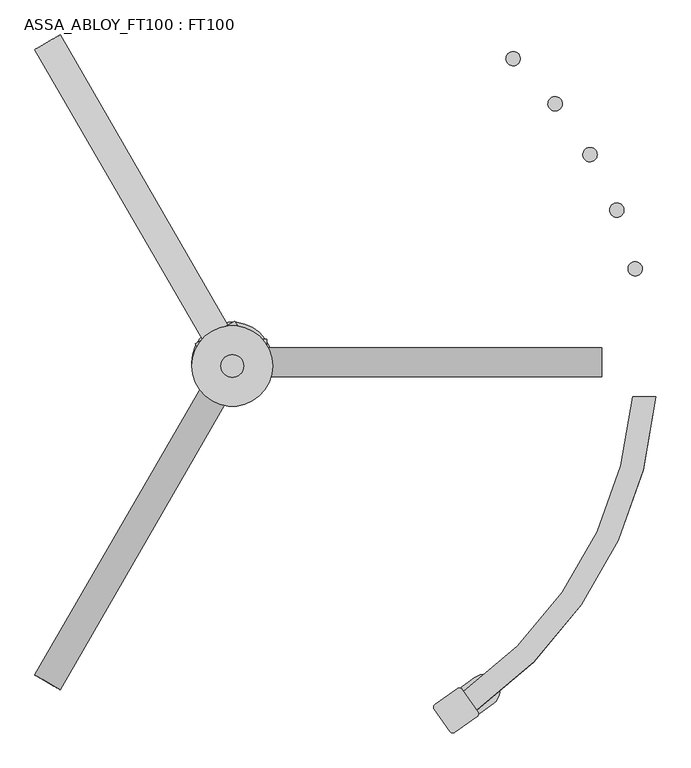
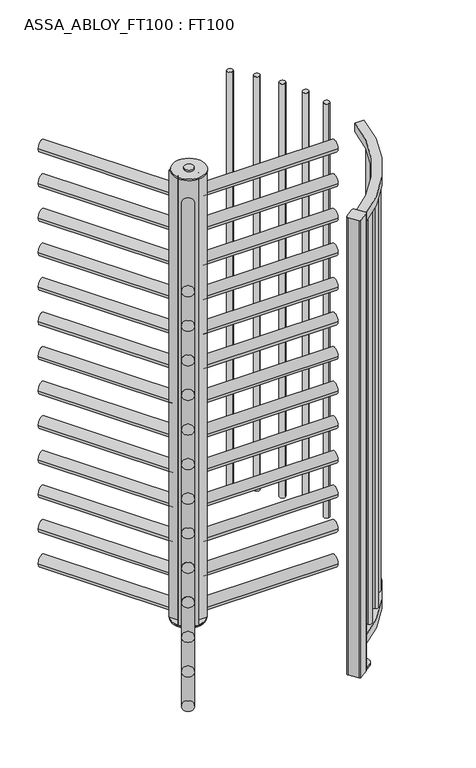
"""IFC4 building model written with IfcOpenShell, lengths in millimetres: proxy geometry, ASSA_ABLOY_FT100 : FT100."""

import ifcopenshell
import ifcopenshell.guid

model = None  # the IFC model being written
_history = None  # IfcOwnerHistory: only IFC2X3 demands one
_inside = {}  # id of a spatial element -> (the spatial element, [elements in it])
_under = {}  # id of a project, library or spatial element -> (it, [spatial elements below it])
_declared = {}  # id of a project -> (the project, [libraries it declares])
_typed = {}  # id of a type object -> (the type object, [elements of that type])
_made_of = {}  # id of a material, layer set ... -> (it, [elements and type objects made of it])


def new_model(schema):
    """Start an empty IFC model of exactly this schema.

    Asked for "IFC4X3", IfcOpenShell would pick the latest addendum, in which some entities
    have other attributes; the version numbers below select the first issue.
    IFC2X3 requires an IfcOwnerHistory on every rooted entity: one is made here for all.
    """
    global model, _history
    if schema == "IFC4X3":
        model = ifcopenshell.file(schema_version=(4, 3, 0, 0))
    else:
        model = ifcopenshell.file(schema=schema)
    _inside.clear()
    _under.clear()
    _declared.clear()
    _typed.clear()
    _made_of.clear()
    _history = None
    if model.schema == "IFC2X3":
        org = make("IfcOrganization", Name="unknown")
        user = make(
            "IfcPersonAndOrganization",
            ThePerson=make("IfcPerson", FamilyName="unknown"),
            TheOrganization=org,
        )
        app = make(
            "IfcApplication",
            ApplicationDeveloper=org,
            Version="unknown",
            ApplicationFullName="unknown",
            ApplicationIdentifier="unknown",
        )
        _history = make(
            "IfcOwnerHistory",
            OwningUser=user,
            OwningApplication=app,
            ChangeAction="ADDED",
            CreationDate=0,
        )
    return model


def make(cls, **values):
    """One entity of the class cls with the attributes given. An attribute that is None is left unset."""
    return model.create_entity(
        cls, **{name: value for name, value in values.items() if value is not None}
    )


def rooted(cls, **values):
    """An entity with a GlobalId (a new one), such as an element, a storey or a relation."""
    return make(cls, GlobalId=ifcopenshell.guid.new(), OwnerHistory=_history, **values)


def si_unit(unit_type, name, prefix=None):
    """IfcSIUnit, for example si_unit("LENGTHUNIT", "METRE", prefix="MILLI")."""
    return make("IfcSIUnit", UnitType=unit_type, Prefix=prefix, Name=name)


def assignment(units):
    """IfcUnitAssignment: the units of a project."""
    return None if units is None else make("IfcUnitAssignment", Units=units)


def point(xyz):
    """IfcCartesianPoint."""
    return None if xyz is None else make("IfcCartesianPoint", Coordinates=xyz)


def direction(xyz):
    """IfcDirection."""
    return None if xyz is None else make("IfcDirection", DirectionRatios=xyz)


def frame(location, z_axis=None, x_axis=None):
    """IfcAxis2Placement3D, a coordinate frame: its origin and axes. An axis left out is left unset."""
    return make(
        "IfcAxis2Placement3D",
        Location=point(location),
        Axis=direction(z_axis),
        RefDirection=direction(x_axis),
    )


def frame_2d(location, x_axis=None):
    """IfcAxis2Placement2D, a coordinate frame in the plane: its origin and x axis."""
    return make(
        "IfcAxis2Placement2D", Location=point(location), RefDirection=direction(x_axis)
    )


def origin():
    """The frame at (0, 0, 0) with its axes left unset."""
    return frame((0.0, 0.0, 0.0))


def origin_with_axes():
    """The frame at (0, 0, 0) with the z axis (0, 0, 1) and the x axis (1, 0, 0) written out."""
    return frame((0.0, 0.0, 0.0), z_axis=(0.0, 0.0, 1.0), x_axis=(1.0, 0.0, 0.0))


def origin_2d():
    """The frame at (0, 0) in the plane with its x axis left unset."""
    return frame_2d((0.0, 0.0))


def place(relative_to, where):
    """IfcLocalPlacement: puts the frame where relative to a parent placement (None: the world)."""
    return make(
        "IfcLocalPlacement", PlacementRelTo=relative_to, RelativePlacement=where
    )


def context(
    kind, dimensions, precision=None, world=None, true_north=None, identifier=None
):
    """IfcGeometricRepresentationContext, for example the 3D "Model" context."""
    return make(
        "IfcGeometricRepresentationContext",
        ContextIdentifier=identifier,
        ContextType=kind,
        CoordinateSpaceDimension=dimensions,
        Precision=precision,
        WorldCoordinateSystem=world,
        TrueNorth=true_north,
    )


def project(units=None, contexts=None):
    """IfcProject with its units and contexts."""
    return rooted(
        "IfcProject",
        Name="project",
        RepresentationContexts=contexts,
        UnitsInContext=assignment(units),
    )


def spatial(cls, under=None, at=None, **own):
    """A site, building, storey or space (cls), placed at a placement, below another one or the project."""
    s = rooted(cls, ObjectPlacement=at, **own)
    if under is not None:
        _under.setdefault(under.id(), (under, []))[1].append(s)
    return s


def polyline(points):
    """IfcPolyline through the points."""
    return make("IfcPolyline", Points=[point(p) for p in points])


def circle_curve(where, radius):
    """IfcCircle in the frame where."""
    return make("IfcCircle", Position=where, Radius=radius)


def trimmed(basis, trim1, trim2, sense, master):
    """IfcTrimmedCurve: the piece of a basis curve between two trims."""
    return make(
        "IfcTrimmedCurve",
        BasisCurve=basis,
        Trim1=trim1,
        Trim2=trim2,
        SenseAgreement=sense,
        MasterRepresentation=master,
    )


def segment(curve, same_sense, transition):
    """IfcCompositeCurveSegment."""
    return make(
        "IfcCompositeCurveSegment",
        Transition=transition,
        SameSense=same_sense,
        ParentCurve=curve,
    )


def composite_curve(segments, self_intersect=None):
    """IfcCompositeCurve: segments joined end to end."""
    return make("IfcCompositeCurve", Segments=segments, SelfIntersect=self_intersect)


def outline(outer, holes=None, kind="AREA"):
    """IfcArbitraryClosedProfileDef: a profile drawn as a closed curve; with holes, ...WithVoids."""
    if holes is None:
        return make("IfcArbitraryClosedProfileDef", ProfileType=kind, OuterCurve=outer)
    return make(
        "IfcArbitraryProfileDefWithVoids",
        ProfileType=kind,
        OuterCurve=outer,
        InnerCurves=holes,
    )


def extrude(swept, where, along, depth):
    """IfcExtrudedAreaSolid: the profile swept, set in the frame where, extruded along a direction by depth."""
    return make(
        "IfcExtrudedAreaSolid",
        SweptArea=swept,
        Position=where,
        ExtrudedDirection=direction(along),
        Depth=depth,
    )


def shape(context_of_items, identifier, shape_type, items):
    """IfcShapeRepresentation: the items that make up one representation, for example the "Body"."""
    return make(
        "IfcShapeRepresentation",
        ContextOfItems=context_of_items,
        RepresentationIdentifier=identifier,
        RepresentationType=shape_type,
        Items=items,
    )


def source(mapping_origin, context_of_items, identifier, shape_type, items):
    """IfcRepresentationMap: a shape defined once, which mapped items show again and again."""
    return make(
        "IfcRepresentationMap",
        MappingOrigin=mapping_origin,
        MappedRepresentation=shape(context_of_items, identifier, shape_type, items),
    )


def transform(
    local_origin,
    x_axis=None,
    y_axis=None,
    z_axis=None,
    scale=None,
    scale2=None,
    scale3=None,
    uniform=True,
):
    """IfcCartesianTransformationOperator3D, or its non-uniform kind. x_axis, y_axis, z_axis: its Axis1, 2, 3."""
    if uniform:
        return make(
            "IfcCartesianTransformationOperator3D",
            Axis1=direction(x_axis),
            Axis2=direction(y_axis),
            LocalOrigin=point(local_origin),
            Scale=scale,
            Axis3=direction(z_axis),
        )
    return make(
        "IfcCartesianTransformationOperator3DnonUniform",
        Axis1=direction(x_axis),
        Axis2=direction(y_axis),
        LocalOrigin=point(local_origin),
        Scale=scale,
        Axis3=direction(z_axis),
        Scale2=scale2,
        Scale3=scale3,
    )


def mapped(mapping_source, mapping_target):
    """IfcMappedItem: shows the shape of a source again, moved by a transform."""
    return make(
        "IfcMappedItem", MappingSource=mapping_source, MappingTarget=mapping_target
    )


def made_of(thing, what):
    """Note that an element or type object is made of a material, layer set ...; save() writes the relation."""
    if what is not None:
        _made_of.setdefault(what.id(), (what, []))[1].append(thing)
    return thing


def element(
    cls,
    number,
    at=None,
    inside=None,
    cuts=None,
    type_object=None,
    material=None,
    context=None,
    identifier="Body",
    shape_type=None,
    held_by="IfcProductDefinitionShape",
    body=None,
    shapes=None,
    **own,
):
    """One element of the class cls, such as IfcWall. Its Tag is "e" and its number.

    at: its placement. inside: the storey or other place that contains it. cuts: it is an
    opening in that element (IfcRelVoidsElement). A single representation is given by context,
    identifier, shape_type and body (its items); several are given by shapes. held_by: the class
    of the entity that holds the representations. save() writes the other relations.
    """
    e = rooted(cls, Tag="e%d" % number, ObjectPlacement=at, **own)
    if body is not None:
        shapes = [shape(context, identifier, shape_type, body)]
    if shapes is not None:
        e.Representation = make(held_by, Representations=shapes)
    if inside is not None:
        _inside.setdefault(inside.id(), (inside, []))[1].append(e)
    if cuts is not None:
        rooted(
            "IfcRelVoidsElement", RelatingBuildingElement=cuts, RelatedOpeningElement=e
        )
    if type_object is not None:
        _typed.setdefault(type_object.id(), (type_object, []))[1].append(e)
    return made_of(e, material)


def aggregate(whole, parts):
    """IfcRelAggregates: a whole, such as a stair, and the parts it consists of."""
    return rooted("IfcRelAggregates", RelatingObject=whole, RelatedObjects=parts)


def save(model, path):
    """Write the relations noted so far, then the file.

    IfcRelAggregates (storeys below a building ...), IfcRelContainedInSpatialStructure (elements
    in a storey), IfcRelDefinesByType, IfcRelAssociatesMaterial and IfcRelDeclares: one each for
    every whole, place, type object, material and project.
    """
    for whole, parts in _under.values():
        aggregate(whole, parts)
    for where, things in _inside.values():
        rooted(
            "IfcRelContainedInSpatialStructure",
            RelatedElements=things,
            RelatingStructure=where,
        )
    for kind, things in _typed.values():
        rooted("IfcRelDefinesByType", RelatedObjects=things, RelatingType=kind)
    for what, things in _made_of.values():
        rooted("IfcRelAssociatesMaterial", RelatedObjects=things, RelatingMaterial=what)
    for by, libraries in _declared.values():
        rooted("IfcRelDeclares", RelatingContext=by, RelatedDefinitions=libraries)
    model.write(path)


def plane_surface(at):
    """IfcPlane: the flat surface through the origin of the frame at, square to its z axis."""
    return make("IfcPlane", Position=at)


def cylinder_surface(at, radius):
    """IfcCylindricalSurface: all points at the distance radius from the z axis of the frame at."""
    return make("IfcCylindricalSurface", Position=at, Radius=radius)


def advanced_brep(points, edges, surfaces, faces):
    """IfcAdvancedBrep: a solid bounded by faces that lie on surfaces and meet in shared edges.

    An edge is (start, end): straight between two places in points (the first is 0);
    or (start, end, curve); or (start, end, curve, False) where it runs against its curve.
    A face is (place in surfaces, loops), or (place, loops, False) where it looks against
    its surface's normal. A loop lists edges by number (the first is 1), with a minus sign
    where the edge is run from its end to its start. The first loop is the outer one.
    """
    corners = [point(p) for p in points]
    vertices = [make("IfcVertexPoint", VertexGeometry=c) for c in corners]
    made = []
    for start, end, *more in edges:
        made.append(
            make(
                "IfcEdgeCurve",
                EdgeStart=vertices[start],
                EdgeEnd=vertices[end],
                EdgeGeometry=more[0] if more else make("IfcPolyline", Points=[corners[start], corners[end]]),
                SameSense=more[1] if len(more) > 1 else True,
            )
        )
    hull = []
    for where, loops, *sense in faces:
        bounds = []
        for j, loop in enumerate(loops):
            ring = [make("IfcOrientedEdge", EdgeElement=made[abs(k) - 1], Orientation=k > 0) for k in loop]
            bounds.append(
                make(
                    "IfcFaceOuterBound" if j == 0 else "IfcFaceBound",
                    Bound=make("IfcEdgeLoop", EdgeList=ring),
                    Orientation=True,
                )
            )
        hull.append(make("IfcAdvancedFace", Bounds=bounds, FaceSurface=surfaces[where], SameSense=sense[0] if sense else True))
    return make("IfcAdvancedBrep", Outer=make("IfcClosedShell", CfsFaces=hull))


def assa_abloy_ft100_ft100_b19b0297(model_context):
    return source(origin(), model_context, "Body", "SolidModel", [
        extrude(outline(composite_curve([segment(trimmed(circle_curve(frame_2d((25.5, 2.28e-05)), 25.5), [point((25.5, -25.4999772))], [point((25.5, 25.5000229))], False, "CARTESIAN"), True, "CONTINUOUS"), segment(trimmed(circle_curve(frame_2d((25.5, 2.28e-05)), 25.5), [point((25.5, 25.5000229))], [point((25.5, -25.4999772))], False, "CARTESIAN"), True, "CONTINUOUS")], self_intersect=False)), frame((-322.9187589, -559.35863, 37.0), z_axis=(0.4999685347432275, 0.866043569496772, 0.0), x_axis=(0.0, 0.0, 1.0)), (0.0, 0.0, 1.0), 585.9000001),
        extrude(outline(composite_curve([segment(trimmed(circle_curve(frame_2d((186.5, 2.28e-05)), 25.5), [point((186.5, -25.4999772))], [point((186.5, 25.5000229))], False, "CARTESIAN"), True, "CONTINUOUS"), segment(trimmed(circle_curve(frame_2d((186.5, 2.28e-05)), 25.5), [point((186.5, 25.5000229))], [point((186.5, -25.4999772))], False, "CARTESIAN"), True, "CONTINUOUS")], self_intersect=False)), frame((-322.9187589, -559.35863, 37.0), z_axis=(0.4999685347432275, 0.866043569496772, 0.0), x_axis=(0.0, 0.0, 1.0)), (0.0, 0.0, 1.0), 585.9000001),
        extrude(outline(composite_curve([segment(trimmed(circle_curve(frame_2d((347.5, 2.28e-05)), 25.5), [point((347.5, -25.4999772))], [point((347.5, 25.5000229))], False, "CARTESIAN"), True, "CONTINUOUS"), segment(trimmed(circle_curve(frame_2d((347.5, 2.28e-05)), 25.5), [point((347.5, 25.5000229))], [point((347.5, -25.4999772))], False, "CARTESIAN"), True, "CONTINUOUS")], self_intersect=False)), frame((-322.9187589, -559.35863, 37.0), z_axis=(0.4999685347432275, 0.866043569496772, 0.0), x_axis=(0.0, 0.0, 1.0)), (0.0, 0.0, 1.0), 585.9000001),
        extrude(outline(composite_curve([segment(trimmed(circle_curve(frame_2d((508.5, 2.28e-05)), 25.5), [point((508.5, -25.4999772))], [point((508.5, 25.5000229))], False, "CARTESIAN"), True, "CONTINUOUS"), segment(trimmed(circle_curve(frame_2d((508.5, 2.28e-05)), 25.5), [point((508.5, 25.5000229))], [point((508.5, -25.4999772))], False, "CARTESIAN"), True, "CONTINUOUS")], self_intersect=False)), frame((-322.9187589, -559.35863, 37.0), z_axis=(0.4999685347432275, 0.866043569496772, 0.0), x_axis=(0.0, 0.0, 1.0)), (0.0, 0.0, 1.0), 585.9000001),
        extrude(outline(composite_curve([segment(trimmed(circle_curve(frame_2d((669.5, 2.28e-05)), 25.5), [point((669.5, -25.4999772))], [point((669.5, 25.5000229))], False, "CARTESIAN"), True, "CONTINUOUS"), segment(trimmed(circle_curve(frame_2d((669.5, 2.28e-05)), 25.5), [point((669.5, 25.5000229))], [point((669.5, -25.4999772))], False, "CARTESIAN"), True, "CONTINUOUS")], self_intersect=False)), frame((-322.9187589, -559.35863, 37.0), z_axis=(0.4999685347432275, 0.866043569496772, 0.0), x_axis=(0.0, 0.0, 1.0)), (0.0, 0.0, 1.0), 585.9000001),
        extrude(outline(composite_curve([segment(trimmed(circle_curve(frame_2d((830.5, 2.28e-05)), 25.5), [point((830.5, -25.4999772))], [point((830.5, 25.5000229))], False, "CARTESIAN"), True, "CONTINUOUS"), segment(trimmed(circle_curve(frame_2d((830.5, 2.28e-05)), 25.5), [point((830.5, 25.5000229))], [point((830.5, -25.4999772))], False, "CARTESIAN"), True, "CONTINUOUS")], self_intersect=False)), frame((-322.9187589, -559.35863, 37.0), z_axis=(0.4999685347432275, 0.866043569496772, 0.0), x_axis=(0.0, 0.0, 1.0)), (0.0, 0.0, 1.0), 585.9000001),
        extrude(outline(composite_curve([segment(trimmed(circle_curve(frame_2d((991.5, 2.28e-05)), 25.5), [point((991.5, -25.4999772))], [point((991.5, 25.5000229))], False, "CARTESIAN"), True, "CONTINUOUS"), segment(trimmed(circle_curve(frame_2d((991.5, 2.28e-05)), 25.5), [point((991.5, 25.5000229))], [point((991.5, -25.4999772))], False, "CARTESIAN"), True, "CONTINUOUS")], self_intersect=False)), frame((-322.9187589, -559.35863, 37.0), z_axis=(0.4999685347432275, 0.866043569496772, 0.0), x_axis=(0.0, 0.0, 1.0)), (0.0, 0.0, 1.0), 585.9000001),
        extrude(outline(composite_curve([segment(trimmed(circle_curve(frame_2d((1152.5, 2.28e-05)), 25.5), [point((1152.5, -25.4999772))], [point((1152.5, 25.5000229))], False, "CARTESIAN"), True, "CONTINUOUS"), segment(trimmed(circle_curve(frame_2d((1152.5, 2.28e-05)), 25.5), [point((1152.5, 25.5000229))], [point((1152.5, -25.4999772))], False, "CARTESIAN"), True, "CONTINUOUS")], self_intersect=False)), frame((-322.9187589, -559.35863, 37.0), z_axis=(0.4999685347432275, 0.866043569496772, 0.0), x_axis=(0.0, 0.0, 1.0)), (0.0, 0.0, 1.0), 585.9000001),
        extrude(outline(composite_curve([segment(trimmed(circle_curve(frame_2d((1313.5, 2.28e-05)), 25.5), [point((1313.5, -25.4999772))], [point((1313.5, 25.5000229))], False, "CARTESIAN"), True, "CONTINUOUS"), segment(trimmed(circle_curve(frame_2d((1313.5, 2.28e-05)), 25.5), [point((1313.5, 25.5000229))], [point((1313.5, -25.4999772))], False, "CARTESIAN"), True, "CONTINUOUS")], self_intersect=False)), frame((-322.9187589, -559.35863, 37.0), z_axis=(0.4999685347432275, 0.866043569496772, 0.0), x_axis=(0.0, 0.0, 1.0)), (0.0, 0.0, 1.0), 585.9000001),
        extrude(outline(composite_curve([segment(trimmed(circle_curve(frame_2d((1474.5, 2.28e-05)), 25.5), [point((1474.5, -25.4999772))], [point((1474.5, 25.5000229))], False, "CARTESIAN"), True, "CONTINUOUS"), segment(trimmed(circle_curve(frame_2d((1474.5, 2.28e-05)), 25.5), [point((1474.5, 25.5000229))], [point((1474.5, -25.4999772))], False, "CARTESIAN"), True, "CONTINUOUS")], self_intersect=False)), frame((-322.9187589, -559.35863, 37.0), z_axis=(0.4999685347432275, 0.866043569496772, 0.0), x_axis=(0.0, 0.0, 1.0)), (0.0, 0.0, 1.0), 585.9000001),
        extrude(outline(composite_curve([segment(trimmed(circle_curve(frame_2d((1635.5, 2.28e-05)), 25.5), [point((1635.5, -25.4999772))], [point((1635.5, 25.5000229))], False, "CARTESIAN"), True, "CONTINUOUS"), segment(trimmed(circle_curve(frame_2d((1635.5, 2.28e-05)), 25.5), [point((1635.5, 25.5000229))], [point((1635.5, -25.4999772))], False, "CARTESIAN"), True, "CONTINUOUS")], self_intersect=False)), frame((-322.9187589, -559.35863, 37.0), z_axis=(0.4999685347432275, 0.866043569496772, 0.0), x_axis=(0.0, 0.0, 1.0)), (0.0, 0.0, 1.0), 585.9000001),
        extrude(outline(composite_curve([segment(trimmed(circle_curve(frame_2d((1796.5, 2.28e-05)), 25.5), [point((1796.5, -25.4999772))], [point((1796.5, 25.5000229))], False, "CARTESIAN"), True, "CONTINUOUS"), segment(trimmed(circle_curve(frame_2d((1796.5, 2.28e-05)), 25.5), [point((1796.5, 25.5000229))], [point((1796.5, -25.4999772))], False, "CARTESIAN"), True, "CONTINUOUS")], self_intersect=False)), frame((-322.9187589, -559.35863, 37.0), z_axis=(0.4999685347432275, 0.866043569496772, 0.0), x_axis=(0.0, 0.0, 1.0)), (0.0, 0.0, 1.0), 585.9000001),
        extrude(outline(composite_curve([segment(trimmed(circle_curve(frame_2d((1957.5, 2.28e-05)), 25.5), [point((1957.5, -25.4999772))], [point((1957.5, 25.5000229))], False, "CARTESIAN"), True, "CONTINUOUS"), segment(trimmed(circle_curve(frame_2d((1957.5, 2.28e-05)), 25.5), [point((1957.5, 25.5000229))], [point((1957.5, -25.4999772))], False, "CARTESIAN"), True, "CONTINUOUS")], self_intersect=False)), frame((-322.9187589, -559.35863, 37.0), z_axis=(0.4999685347432275, 0.866043569496772, 0.0), x_axis=(0.0, 0.0, 1.0)), (0.0, 0.0, 1.0), 585.9000001),
        extrude(outline(composite_curve([segment(trimmed(circle_curve(frame_2d((25.5, -2.28e-05)), 25.5), [point((25.5, 25.4999772))], [point((25.5, -25.5000228))], False, "CARTESIAN"), True, "CONTINUOUS"), segment(trimmed(circle_curve(frame_2d((25.5, -2.28e-05)), 25.5), [point((25.5, -25.5000228))], [point((25.5, 25.4999772))], False, "CARTESIAN"), True, "CONTINUOUS")], self_intersect=False)), frame((-29.9917907, 51.946396, 37.0), z_axis=(-0.5000065646043343, 0.8660216136751852, 0.0), x_axis=(0.0, 0.0, 1.0)), (0.0, 0.0, 1.0), 585.9),
        extrude(outline(composite_curve([segment(trimmed(circle_curve(frame_2d((186.5, -2.28e-05)), 25.5), [point((186.5, 25.4999772))], [point((186.5, -25.5000228))], False, "CARTESIAN"), True, "CONTINUOUS"), segment(trimmed(circle_curve(frame_2d((186.5, -2.28e-05)), 25.5), [point((186.5, -25.5000228))], [point((186.5, 25.4999772))], False, "CARTESIAN"), True, "CONTINUOUS")], self_intersect=False)), frame((-29.9917907, 51.946396, 37.0), z_axis=(-0.5000065646043343, 0.8660216136751852, 0.0), x_axis=(0.0, 0.0, 1.0)), (0.0, 0.0, 1.0), 585.9),
        extrude(outline(composite_curve([segment(trimmed(circle_curve(frame_2d((347.5, -2.28e-05)), 25.5), [point((347.5, 25.4999772))], [point((347.5, -25.5000228))], False, "CARTESIAN"), True, "CONTINUOUS"), segment(trimmed(circle_curve(frame_2d((347.5, -2.28e-05)), 25.5), [point((347.5, -25.5000228))], [point((347.5, 25.4999772))], False, "CARTESIAN"), True, "CONTINUOUS")], self_intersect=False)), frame((-29.9917907, 51.946396, 37.0), z_axis=(-0.5000065646043343, 0.8660216136751852, 0.0), x_axis=(0.0, 0.0, 1.0)), (0.0, 0.0, 1.0), 585.9),
        extrude(outline(composite_curve([segment(trimmed(circle_curve(frame_2d((508.5, -2.28e-05)), 25.5), [point((508.5, 25.4999772))], [point((508.5, -25.5000228))], False, "CARTESIAN"), True, "CONTINUOUS"), segment(trimmed(circle_curve(frame_2d((508.5, -2.28e-05)), 25.5), [point((508.5, -25.5000228))], [point((508.5, 25.4999772))], False, "CARTESIAN"), True, "CONTINUOUS")], self_intersect=False)), frame((-29.9917907, 51.946396, 37.0), z_axis=(-0.5000065646043343, 0.8660216136751852, 0.0), x_axis=(0.0, 0.0, 1.0)), (0.0, 0.0, 1.0), 585.9),
        extrude(outline(composite_curve([segment(trimmed(circle_curve(frame_2d((669.5, -2.28e-05)), 25.5), [point((669.5, 25.4999772))], [point((669.5, -25.5000228))], False, "CARTESIAN"), True, "CONTINUOUS"), segment(trimmed(circle_curve(frame_2d((669.5, -2.28e-05)), 25.5), [point((669.5, -25.5000228))], [point((669.5, 25.4999772))], False, "CARTESIAN"), True, "CONTINUOUS")], self_intersect=False)), frame((-29.9917907, 51.946396, 37.0), z_axis=(-0.5000065646043343, 0.8660216136751852, 0.0), x_axis=(0.0, 0.0, 1.0)), (0.0, 0.0, 1.0), 585.9),
        extrude(outline(composite_curve([segment(trimmed(circle_curve(frame_2d((830.5, -2.28e-05)), 25.5), [point((830.5, 25.4999772))], [point((830.5, -25.5000228))], False, "CARTESIAN"), True, "CONTINUOUS"), segment(trimmed(circle_curve(frame_2d((830.5, -2.28e-05)), 25.5), [point((830.5, -25.5000228))], [point((830.5, 25.4999772))], False, "CARTESIAN"), True, "CONTINUOUS")], self_intersect=False)), frame((-29.9917907, 51.946396, 37.0), z_axis=(-0.5000065646043343, 0.8660216136751852, 0.0), x_axis=(0.0, 0.0, 1.0)), (0.0, 0.0, 1.0), 585.9),
        extrude(outline(composite_curve([segment(trimmed(circle_curve(frame_2d((991.5, -2.28e-05)), 25.5), [point((991.5, 25.4999772))], [point((991.5, -25.5000228))], False, "CARTESIAN"), True, "CONTINUOUS"), segment(trimmed(circle_curve(frame_2d((991.5, -2.28e-05)), 25.5), [point((991.5, -25.5000228))], [point((991.5, 25.4999772))], False, "CARTESIAN"), True, "CONTINUOUS")], self_intersect=False)), frame((-29.9917907, 51.946396, 37.0), z_axis=(-0.5000065646043343, 0.8660216136751852, 0.0), x_axis=(0.0, 0.0, 1.0)), (0.0, 0.0, 1.0), 585.9),
        extrude(outline(composite_curve([segment(trimmed(circle_curve(frame_2d((1152.5, -2.28e-05)), 25.5), [point((1152.5, 25.4999772))], [point((1152.5, -25.5000228))], False, "CARTESIAN"), True, "CONTINUOUS"), segment(trimmed(circle_curve(frame_2d((1152.5, -2.28e-05)), 25.5), [point((1152.5, -25.5000228))], [point((1152.5, 25.4999772))], False, "CARTESIAN"), True, "CONTINUOUS")], self_intersect=False)), frame((-29.9917907, 51.946396, 37.0), z_axis=(-0.5000065646043343, 0.8660216136751852, 0.0), x_axis=(0.0, 0.0, 1.0)), (0.0, 0.0, 1.0), 585.9),
        extrude(outline(composite_curve([segment(trimmed(circle_curve(frame_2d((1313.5, -2.28e-05)), 25.5), [point((1313.5, 25.4999772))], [point((1313.5, -25.5000228))], False, "CARTESIAN"), True, "CONTINUOUS"), segment(trimmed(circle_curve(frame_2d((1313.5, -2.28e-05)), 25.5), [point((1313.5, -25.5000228))], [point((1313.5, 25.4999772))], False, "CARTESIAN"), True, "CONTINUOUS")], self_intersect=False)), frame((-29.9917907, 51.946396, 37.0), z_axis=(-0.5000065646043343, 0.8660216136751852, 0.0), x_axis=(0.0, 0.0, 1.0)), (0.0, 0.0, 1.0), 585.9),
        extrude(outline(composite_curve([segment(trimmed(circle_curve(frame_2d((1474.5, -2.28e-05)), 25.5), [point((1474.5, 25.4999772))], [point((1474.5, -25.5000228))], False, "CARTESIAN"), True, "CONTINUOUS"), segment(trimmed(circle_curve(frame_2d((1474.5, -2.28e-05)), 25.5), [point((1474.5, -25.5000228))], [point((1474.5, 25.4999772))], False, "CARTESIAN"), True, "CONTINUOUS")], self_intersect=False)), frame((-29.9917907, 51.946396, 37.0), z_axis=(-0.5000065646043343, 0.8660216136751852, 0.0), x_axis=(0.0, 0.0, 1.0)), (0.0, 0.0, 1.0), 585.9),
        extrude(outline(composite_curve([segment(trimmed(circle_curve(frame_2d((1635.5, -2.28e-05)), 25.5), [point((1635.5, 25.4999772))], [point((1635.5, -25.5000228))], False, "CARTESIAN"), True, "CONTINUOUS"), segment(trimmed(circle_curve(frame_2d((1635.5, -2.28e-05)), 25.5), [point((1635.5, -25.5000228))], [point((1635.5, 25.4999772))], False, "CARTESIAN"), True, "CONTINUOUS")], self_intersect=False)), frame((-29.9917907, 51.946396, 37.0), z_axis=(-0.5000065646043343, 0.8660216136751852, 0.0), x_axis=(0.0, 0.0, 1.0)), (0.0, 0.0, 1.0), 585.9),
        extrude(outline(composite_curve([segment(trimmed(circle_curve(frame_2d((1796.5, -2.28e-05)), 25.5), [point((1796.5, 25.4999772))], [point((1796.5, -25.5000228))], False, "CARTESIAN"), True, "CONTINUOUS"), segment(trimmed(circle_curve(frame_2d((1796.5, -2.28e-05)), 25.5), [point((1796.5, -25.5000228))], [point((1796.5, 25.4999772))], False, "CARTESIAN"), True, "CONTINUOUS")], self_intersect=False)), frame((-29.9917907, 51.946396, 37.0), z_axis=(-0.5000065646043343, 0.8660216136751852, 0.0), x_axis=(0.0, 0.0, 1.0)), (0.0, 0.0, 1.0), 585.9),
        extrude(outline(composite_curve([segment(trimmed(circle_curve(frame_2d((1957.5, -2.28e-05)), 25.5), [point((1957.5, 25.4999772))], [point((1957.5, -25.5000228))], False, "CARTESIAN"), True, "CONTINUOUS"), segment(trimmed(circle_curve(frame_2d((1957.5, -2.28e-05)), 25.5), [point((1957.5, -25.5000228))], [point((1957.5, 25.4999772))], False, "CARTESIAN"), True, "CONTINUOUS")], self_intersect=False)), frame((-29.9917907, 51.946396, 37.0), z_axis=(-0.5000065646043343, 0.8660216136751852, 0.0), x_axis=(0.0, 0.0, 1.0)), (0.0, 0.0, 1.0), 585.9),
        extrude(outline(composite_curve([segment(trimmed(circle_curve(frame_2d((0.0, 62.5)), 25.5), [point((-25.5, 62.5))], [point((25.5, 62.5))], False, "CARTESIAN"), True, "CONTINUOUS"), segment(trimmed(circle_curve(frame_2d((0.0, 62.5)), 25.5), [point((25.5, 62.5))], [point((-25.5, 62.5))], False, "CARTESIAN"), True, "CONTINUOUS")], self_intersect=False)), frame((60.0, 0.0, 0.0), z_axis=(1.0, 0.0, 0.0), x_axis=(0.0, 1.0, 0.0)), (0.0, 0.0, 1.0), 585.9),
        extrude(outline(composite_curve([segment(trimmed(circle_curve(frame_2d((0.0, 223.5)), 25.5), [point((-25.5, 223.5))], [point((25.5, 223.5))], False, "CARTESIAN"), True, "CONTINUOUS"), segment(trimmed(circle_curve(frame_2d((0.0, 223.5)), 25.5), [point((25.5, 223.5))], [point((-25.5, 223.5))], False, "CARTESIAN"), True, "CONTINUOUS")], self_intersect=False)), frame((60.0, 0.0, 0.0), z_axis=(1.0, 0.0, 0.0), x_axis=(0.0, 1.0, 0.0)), (0.0, 0.0, 1.0), 585.9),
        extrude(outline(composite_curve([segment(trimmed(circle_curve(frame_2d((0.0, 384.5)), 25.5), [point((-25.5, 384.5))], [point((25.5, 384.5))], False, "CARTESIAN"), True, "CONTINUOUS"), segment(trimmed(circle_curve(frame_2d((0.0, 384.5)), 25.5), [point((25.5, 384.5))], [point((-25.5, 384.5))], False, "CARTESIAN"), True, "CONTINUOUS")], self_intersect=False)), frame((60.0, 0.0, 0.0), z_axis=(1.0, 0.0, 0.0), x_axis=(0.0, 1.0, 0.0)), (0.0, 0.0, 1.0), 585.9),
        extrude(outline(composite_curve([segment(trimmed(circle_curve(frame_2d((0.0, 545.5)), 25.5), [point((-25.5, 545.5))], [point((25.5, 545.5))], False, "CARTESIAN"), True, "CONTINUOUS"), segment(trimmed(circle_curve(frame_2d((0.0, 545.5)), 25.5), [point((25.5, 545.5))], [point((-25.5, 545.5))], False, "CARTESIAN"), True, "CONTINUOUS")], self_intersect=False)), frame((60.0, 0.0, 0.0), z_axis=(1.0, 0.0, 0.0), x_axis=(0.0, 1.0, 0.0)), (0.0, 0.0, 1.0), 585.9),
        extrude(outline(composite_curve([segment(trimmed(circle_curve(frame_2d((0.0, 706.5)), 25.5), [point((-25.5, 706.5))], [point((25.5, 706.5))], False, "CARTESIAN"), True, "CONTINUOUS"), segment(trimmed(circle_curve(frame_2d((0.0, 706.5)), 25.5), [point((25.5, 706.5))], [point((-25.5, 706.5))], False, "CARTESIAN"), True, "CONTINUOUS")], self_intersect=False)), frame((60.0, 0.0, 0.0), z_axis=(1.0, 0.0, 0.0), x_axis=(0.0, 1.0, 0.0)), (0.0, 0.0, 1.0), 585.9),
        extrude(outline(composite_curve([segment(trimmed(circle_curve(frame_2d((0.0, 867.5)), 25.5), [point((-25.5, 867.5))], [point((25.5, 867.5))], False, "CARTESIAN"), True, "CONTINUOUS"), segment(trimmed(circle_curve(frame_2d((0.0, 867.5)), 25.5), [point((25.5, 867.5))], [point((-25.5, 867.5))], False, "CARTESIAN"), True, "CONTINUOUS")], self_intersect=False)), frame((60.0, 0.0, 0.0), z_axis=(1.0, 0.0, 0.0), x_axis=(0.0, 1.0, 0.0)), (0.0, 0.0, 1.0), 585.9),
        extrude(outline(composite_curve([segment(trimmed(circle_curve(frame_2d((0.0, 1028.5)), 25.5), [point((-25.5, 1028.5))], [point((25.5, 1028.5))], False, "CARTESIAN"), True, "CONTINUOUS"), segment(trimmed(circle_curve(frame_2d((0.0, 1028.5)), 25.5), [point((25.5, 1028.5))], [point((-25.5, 1028.5))], False, "CARTESIAN"), True, "CONTINUOUS")], self_intersect=False)), frame((60.0, 0.0, 0.0), z_axis=(1.0, 0.0, 0.0), x_axis=(0.0, 1.0, 0.0)), (0.0, 0.0, 1.0), 585.9),
        extrude(outline(composite_curve([segment(trimmed(circle_curve(frame_2d((0.0, 1189.5)), 25.5), [point((-25.5, 1189.5))], [point((25.5, 1189.5))], False, "CARTESIAN"), True, "CONTINUOUS"), segment(trimmed(circle_curve(frame_2d((0.0, 1189.5)), 25.5), [point((25.5, 1189.5))], [point((-25.5, 1189.5))], False, "CARTESIAN"), True, "CONTINUOUS")], self_intersect=False)), frame((60.0, 0.0, 0.0), z_axis=(1.0, 0.0, 0.0), x_axis=(0.0, 1.0, 0.0)), (0.0, 0.0, 1.0), 585.9),
        extrude(outline(composite_curve([segment(trimmed(circle_curve(frame_2d((0.0, 1350.5)), 25.5), [point((-25.5, 1350.5))], [point((25.5, 1350.5))], False, "CARTESIAN"), True, "CONTINUOUS"), segment(trimmed(circle_curve(frame_2d((0.0, 1350.5)), 25.5), [point((25.5, 1350.5))], [point((-25.5, 1350.5))], False, "CARTESIAN"), True, "CONTINUOUS")], self_intersect=False)), frame((60.0, 0.0, 0.0), z_axis=(1.0, 0.0, 0.0), x_axis=(0.0, 1.0, 0.0)), (0.0, 0.0, 1.0), 585.9),
        extrude(outline(composite_curve([segment(trimmed(circle_curve(frame_2d((0.0, 1511.5)), 25.5), [point((-25.5, 1511.5))], [point((25.5, 1511.5))], False, "CARTESIAN"), True, "CONTINUOUS"), segment(trimmed(circle_curve(frame_2d((0.0, 1511.5)), 25.5), [point((25.5, 1511.5))], [point((-25.5, 1511.5))], False, "CARTESIAN"), True, "CONTINUOUS")], self_intersect=False)), frame((60.0, 0.0, 0.0), z_axis=(1.0, 0.0, 0.0), x_axis=(0.0, 1.0, 0.0)), (0.0, 0.0, 1.0), 585.9),
        extrude(outline(composite_curve([segment(trimmed(circle_curve(frame_2d((0.0, 1672.5)), 25.5), [point((-25.5, 1672.5))], [point((25.5, 1672.5))], False, "CARTESIAN"), True, "CONTINUOUS"), segment(trimmed(circle_curve(frame_2d((0.0, 1672.5)), 25.5), [point((25.5, 1672.5))], [point((-25.5, 1672.5))], False, "CARTESIAN"), True, "CONTINUOUS")], self_intersect=False)), frame((60.0, 0.0, 0.0), z_axis=(1.0, 0.0, 0.0), x_axis=(0.0, 1.0, 0.0)), (0.0, 0.0, 1.0), 585.9),
        extrude(outline(composite_curve([segment(trimmed(circle_curve(frame_2d((0.0, 1833.5)), 25.5), [point((-25.5, 1833.5))], [point((25.5, 1833.5))], False, "CARTESIAN"), True, "CONTINUOUS"), segment(trimmed(circle_curve(frame_2d((0.0, 1833.5)), 25.5), [point((25.5, 1833.5))], [point((-25.5, 1833.5))], False, "CARTESIAN"), True, "CONTINUOUS")], self_intersect=False)), frame((60.0, 0.0, 0.0), z_axis=(1.0, 0.0, 0.0), x_axis=(0.0, 1.0, 0.0)), (0.0, 0.0, 1.0), 585.9),
        extrude(outline(composite_curve([segment(trimmed(circle_curve(frame_2d((0.0, 1994.5)), 25.5), [point((-25.5, 1994.5))], [point((25.5, 1994.5))], False, "CARTESIAN"), True, "CONTINUOUS"), segment(trimmed(circle_curve(frame_2d((0.0, 1994.5)), 25.5), [point((25.5, 1994.5))], [point((-25.5, 1994.5))], False, "CARTESIAN"), True, "CONTINUOUS")], self_intersect=False)), frame((60.0, 0.0, 0.0), z_axis=(1.0, 0.0, 0.0), x_axis=(0.0, 1.0, 0.0)), (0.0, 0.0, 1.0), 585.9),
        extrude(outline(composite_curve([segment(trimmed(circle_curve(frame_2d((0.0003681, -6.5842658)), 20.0), [point((-19.9996319, -6.5842658))], [point((20.0003681, -6.5842658))], False, "CARTESIAN"), True, "CONTINUOUS"), segment(trimmed(circle_curve(frame_2d((0.0003681, -6.5842658)), 20.0), [point((20.0003681, -6.5842658))], [point((-19.9996319, -6.5842658))], False, "CARTESIAN"), True, "CONTINUOUS")], self_intersect=False)), frame((0.0, 0.0, 2116.4999542), z_axis=(0.0, 0.0, 1.0), x_axis=(1.0, 0.0, 0.0)), (0.0, 0.0, 1.0), 8.5),
        extrude(outline(composite_curve([segment(trimmed(circle_curve(frame_2d((0.0003681, -6.5842658)), 70.5), [point((-70.4996319, -6.5842658))], [point((70.5003681, -6.5842658))], False, "CARTESIAN"), True, "CONTINUOUS"), segment(trimmed(circle_curve(frame_2d((0.0003681, -6.5842658)), 70.5), [point((70.5003681, -6.5842658))], [point((-70.4996319, -6.5842658))], False, "CARTESIAN"), True, "CONTINUOUS")], self_intersect=False)), frame((0.0, 0.0, 2110.4999695), z_axis=(0.0, 0.0, 1.0), x_axis=(1.0, 0.0, 0.0)), (0.0, 0.0, 1.0), 5.9999847),
        extrude(outline(composite_curve([segment(trimmed(circle_curve(frame_2d((0.0003681, 0.0)), 20.0), [point((-19.9996319, 0.0))], [point((20.0003681, 0.0))], False, "CARTESIAN"), True, "CONTINUOUS"), segment(trimmed(circle_curve(frame_2d((0.0003681, 0.0)), 20.0), [point((20.0003681, 0.0))], [point((-19.9996319, 0.0))], False, "CARTESIAN"), True, "CONTINUOUS")], self_intersect=False)), frame((0.0, 0.0, 8.0), z_axis=(0.0, 0.0, 1.0), x_axis=(1.0, 0.0, 0.0)), (0.0, 0.0, 1.0), 13.0),
        extrude(outline(composite_curve([segment(trimmed(circle_curve(frame_2d((0.0003681, 0.0)), 70.5), [point((-70.4996319, 0.0))], [point((70.5003681, 0.0))], False, "CARTESIAN"), True, "CONTINUOUS"), segment(trimmed(circle_curve(frame_2d((0.0003681, 0.0)), 70.5), [point((70.5003681, 0.0))], [point((-70.4996319, 0.0))], False, "CARTESIAN"), True, "CONTINUOUS")], self_intersect=False)), frame((0.0, 0.0, 21.0), z_axis=(0.0, 0.0, 1.0), x_axis=(1.0, 0.0, 0.0)), (0.0, 0.0, 1.0), 5.9999847),
        extrude(outline(polyline([(23.0942963, 39.9999606), (60.0, 39.9999734), (60.0, -40.0000191), (23.0942625, -40.0000191), (4.2026102, -71.6815392), (-63.2809074, -32.7231813), (-46.1879562, 0.0), (-64.6324519, 31.9462508), (4.6494225, 71.9468599), (23.0942963, 39.9999606)])), frame((0.0, 0.0, 26.9999847), z_axis=(0.0, 0.0, 1.0), x_axis=(1.0, 0.0, 0.0)), (0.0, 0.0, 1.0), 2083.4999847),
        advanced_brep(
        [(701.3972813, -175.3425532, 148.5), (706.9882272, -150.9757519, 148.5), (701.3972813, -175.3425532, 2077.0), (707.0228878, -150.9837307, 2077.0)],
        [
            (0, 1, circle_curve(frame((704.2014208, -163.1611411, 148.5), z_axis=(0.0, 0.0, -1.0), x_axis=(0.22571736015093904, 0.9741928316952919, 0.0)), 12.5)),
            (1, 0, circle_curve(frame((704.2014208, -163.1611411, 148.5), z_axis=(0.0, 0.0, -1.0), x_axis=(0.22571736015093904, 0.9741928316952919, 0.0)), 12.5)),
            (2, 3, circle_curve(frame((704.2014208, -163.1611411, 2077.0), z_axis=(0.0, 0.0, 1.0), x_axis=(0.22571736015093904, 0.9741928316952919, 0.0)), 12.5)),
            (3, 2, circle_curve(frame((704.2014208, -163.1611411, 2077.0), z_axis=(0.0, 0.0, 1.0), x_axis=(0.22571736015093904, 0.9741928316952919, 0.0)), 12.5)),
            (1, 3),
            (2, 0),
        ],
        [
            plane_surface(frame((704.243998, -163.1710797, 148.5), z_axis=(0.0, 0.0, -1.0), x_axis=(0.9741928316952919, -0.22571736015093904, 0.0))),
            plane_surface(frame((704.243998, -163.1710797, 2077.0), z_axis=(0.0, 0.0, 1.0), x_axis=(0.9741928316952919, -0.22571736015093904, 0.0))),
            cylinder_surface(frame((704.2014208, -163.1611411, 148.5), z_axis=(0.0, 0.0, -1.0), x_axis=(0.22571736015093904, 0.9741928316952919, 0.0)), 12.5),
        ],
        [
            (0, [[1, 2]]),
            (1, [[3, 4]]),
            (2, [[5, -3, 6, -2]]),
            (2, [[-6, -4, -5, -1]]),
        ],
    ),
        advanced_brep(
        [(676.7879449, -254.2857379, 148.5), (667.5751595, -277.5263117, 148.5), (676.7879449, -254.2857379, 2077.0), (667.5421072, -277.5131822, 2077.0)],
        [
            (0, 1, circle_curve(frame((672.1732868, -265.9027483, 148.5), z_axis=(0.0, 0.0, -1.0), x_axis=(0.3678501839674795, 0.9298850693258235, 0.0)), 12.5)),
            (1, 0, circle_curve(frame((672.1732868, -265.9027483, 148.5), z_axis=(0.0, 0.0, -1.0), x_axis=(0.3678501839674795, 0.9298850693258235, 0.0)), 12.5)),
            (2, 3, circle_curve(frame((672.1732868, -265.9027483, 2077.0), z_axis=(0.0, 0.0, 1.0), x_axis=(0.3678501839674795, 0.9298850693258235, 0.0)), 12.5)),
            (3, 2, circle_curve(frame((672.1732868, -265.9027483, 2077.0), z_axis=(0.0, 0.0, 1.0), x_axis=(0.3678501839674795, 0.9298850693258235, 0.0)), 12.5)),
            (1, 3),
            (2, 0),
        ],
        [
            plane_surface(frame((672.2139166, -265.918898, 148.5), z_axis=(0.0, 0.0, -1.0), x_axis=(0.9298850693258235, -0.3678501839674795, 0.0))),
            plane_surface(frame((672.2139166, -265.918898, 2077.0), z_axis=(0.0, 0.0, 1.0), x_axis=(0.9298850693258235, -0.3678501839674795, 0.0))),
            cylinder_surface(frame((672.1732868, -265.9027483, 148.5), z_axis=(0.0, 0.0, -1.0), x_axis=(0.3678501839674795, 0.9298850693258235, 0.0)), 12.5),
        ],
        [
            (0, [[1, 2]]),
            (1, [[3, 4]]),
            (2, [[5, -3, 6, -2]]),
            (2, [[-6, -4, -5, -1]]),
        ],
    ),
        advanced_brep(
        [(631.5347326, -351.9474966, 148.5), (618.9736169, -373.5627241, 148.5), (631.5347326, -351.9474966, 2077.0), (618.9428802, -373.544833, 2077.0)],
        [
            (0, 1, circle_curve(frame((625.2464874, -362.7506431, 148.5), z_axis=(0.0, 0.0, -1.0), x_axis=(0.5018296388362806, 0.8649664811918716, 0.0)), 12.5)),
            (1, 0, circle_curve(frame((625.2464874, -362.7506431, 148.5), z_axis=(0.0, 0.0, -1.0), x_axis=(0.5018296388362806, 0.8649664811918716, 0.0)), 12.5)),
            (2, 3, circle_curve(frame((625.2464874, -362.7506431, 2077.0), z_axis=(0.0, 0.0, 1.0), x_axis=(0.5018296388362806, 0.8649664811918716, 0.0)), 12.5)),
            (3, 2, circle_curve(frame((625.2464874, -362.7506431, 2077.0), z_axis=(0.0, 0.0, 1.0), x_axis=(0.5018296388362806, 0.8649664811918716, 0.0)), 12.5)),
            (1, 3),
            (2, 0),
        ],
        [
            plane_surface(frame((625.2842693, -362.7726459, 148.5), z_axis=(0.0, 0.0, -1.0000000000000002), x_axis=(0.8649664811918716, -0.5018296388362806, 0.0))),
            plane_surface(frame((625.2842693, -362.7726459, 2077.0), z_axis=(0.0, 0.0, 1.0000000000000002), x_axis=(0.8649664811918716, -0.5018296388362806, 0.0))),
            cylinder_surface(frame((625.2464874, -362.7506431, 148.5), z_axis=(0.0, 0.0, -1.0000000000000002), x_axis=(0.5018296388362806, 0.8649664811918716, 0.0)), 12.5),
        ],
        [
            (0, [[1, 2]]),
            (1, [[3, 4]]),
            (2, [[5, -3, 6, -2]]),
            (2, [[-6, -4, -5, -1]]),
        ],
    ),
        advanced_brep(
        [(572.1141399, -442.027793, 148.5), (556.4756293, -461.5325788, 148.5), (572.1141399, -442.027793, 2077.0), (556.447898, -461.510312, 2077.0)],
        [
            (0, 1, circle_curve(frame((564.2879478, -451.7746241, 148.5), z_axis=(0.0, 0.0, -1.0), x_axis=(0.6249854827810994, 0.7806363726555893, 0.0)), 12.5)),
            (1, 0, circle_curve(frame((564.2879478, -451.7746241, 148.5), z_axis=(0.0, 0.0, -1.0), x_axis=(0.6249854827810994, 0.7806363726555893, 0.0)), 12.5)),
            (2, 3, circle_curve(frame((564.2879478, -451.7746241, 2077.0), z_axis=(0.0, 0.0, 1.0), x_axis=(0.6249854827810994, 0.7806363726555893, 0.0)), 12.5)),
            (3, 2, circle_curve(frame((564.2879478, -451.7746241, 2077.0), z_axis=(0.0, 0.0, 1.0), x_axis=(0.6249854827810994, 0.7806363726555893, 0.0)), 12.5)),
            (1, 3),
            (2, 0),
        ],
        [
            plane_surface(frame((564.3220338, -451.8020055, 148.5), z_axis=(0.0, 0.0, -1.0), x_axis=(0.7806363726555893, -0.6249854827810994, 0.0))),
            plane_surface(frame((564.3220338, -451.8020055, 2077.0), z_axis=(0.0, 0.0, 1.0), x_axis=(0.7806363726555893, -0.6249854827810994, 0.0))),
            cylinder_surface(frame((564.2879478, -451.7746241, 148.5), z_axis=(0.0, 0.0, -1.0), x_axis=(0.6249854827810994, 0.7806363726555893, 0.0)), 12.5),
        ],
        [
            (0, [[1, 2]]),
            (1, [[3, 4]]),
            (2, [[5, -3, 6, -2]]),
            (2, [[-6, -4, -5, -1]]),
        ],
    ),
        advanced_brep(
        [(500.1042882, -522.0582297, 148.5), (481.7532546, -539.0358491, 148.5), (500.1042882, -522.0582297, 2077.0), (481.7502022, -539.0325492, 2077.0)],
        [
            (0, 1, circle_curve(frame((490.9280083, -530.5462145, 148.5), z_axis=(0.0, 0.0, -1.0), x_axis=(0.733980288863185, 0.6791707705432527, 0.0)), 12.5)),
            (1, 0, circle_curve(frame((490.9280083, -530.5462145, 148.5), z_axis=(0.0, 0.0, -1.0), x_axis=(0.733980288863185, 0.6791707705432527, 0.0)), 12.5)),
            (2, 3, circle_curve(frame((490.9280083, -530.5462145, 2077.0), z_axis=(0.0, 0.0, 1.0), x_axis=(0.733980288863185, 0.6791707705432527, 0.0)), 12.5)),
            (3, 2, circle_curve(frame((490.9280083, -530.5462145, 2077.0), z_axis=(0.0, 0.0, 1.0), x_axis=(0.733980288863185, 0.6791707705432527, 0.0)), 12.5)),
            (1, 3),
            (2, 0),
        ],
        [
            plane_surface(frame((490.97255, -530.5943508, 148.5), z_axis=(0.0, 0.0, -1.0000000000000002), x_axis=(0.6791707705432527, -0.733980288863185, 0.0))),
            plane_surface(frame((490.97255, -530.5943508, 2077.0), z_axis=(0.0, 0.0, 1.0000000000000002), x_axis=(0.6791707705432527, -0.733980288863185, 0.0))),
            cylinder_surface(frame((490.9280083, -530.5462145, 148.5), z_axis=(0.0, 0.0, -1.0000000000000002), x_axis=(0.733980288863185, 0.6791707705432527, 0.0)), 12.5),
        ],
        [
            (0, [[1, 2]]),
            (1, [[3, 4]]),
            (2, [[5, -3, 6, -2]]),
            (2, [[-6, -4, -5, -1]]),
        ],
    ),
        extrude(outline(composite_curve([segment(trimmed(circle_curve(origin_2d(), 702.9655826), [point((404.208902, -575.1310927))], [point((700.4003215, -60.0))], True, "CARTESIAN"), True, "CONTINUOUS"), segment(polyline([(700.4003215, -60.0), (740.5388963, -60.0)]), True, "CONTINUOUS"), segment(trimmed(circle_curve(origin_2d(), 742.9655826), [point((740.5388963, -60.0))], [point((427.2091121, -607.8570814))], False, "CARTESIAN"), True, "CONTINUOUS"), segment(polyline([(427.2091121, -607.8570814), (404.208902, -575.1310927)]), True, "CONTINUOUS")], self_intersect=False)), frame((0.0, 0.0, 108.5), z_axis=(0.0, 0.0, 1.0), x_axis=(1.0, 0.0, 0.0)), (0.0, 0.0, 1.0), 40.0),
        extrude(outline(composite_curve([segment(trimmed(circle_curve(origin_2d(), 702.9655826), [point((404.208902, -575.1310927))], [point((700.4003215, -60.0))], True, "CARTESIAN"), True, "CONTINUOUS"), segment(polyline([(700.4003215, -60.0), (740.5388963, -60.0)]), True, "CONTINUOUS"), segment(trimmed(circle_curve(origin_2d(), 742.9655826), [point((740.5388963, -60.0))], [point((427.2091121, -607.8570814))], False, "CARTESIAN"), True, "CONTINUOUS"), segment(polyline([(427.2091121, -607.8570814), (404.208902, -575.1310927)]), True, "CONTINUOUS")], self_intersect=False)), frame((0.0, 0.0, 2077.0), z_axis=(0.0, 0.0, 1.0), x_axis=(1.0, 0.0, 0.0)), (0.0, 0.0, 1.0), 40.0),
        extrude(outline(composite_curve([segment(trimmed(circle_curve(frame_2d((385.4083349, -641.5551727)), 6.4), [point((389.0883685, -646.7913309))], [point((380.1721767, -645.2352063))], False, "CARTESIAN"), True, "CONTINUOUS"), segment(polyline([(380.1721767, -645.2352063), (353.0319288, -606.6185396)]), True, "CONTINUOUS"), segment(trimmed(circle_curve(frame_2d((358.268087, -602.938506)), 6.4), [point((353.0319288, -606.6185396))], [point((354.5880534, -597.7023478))], False, "CARTESIAN"), True, "CONTINUOUS"), segment(polyline([(354.5880534, -597.7023478), (393.1849809, -570.5759728)]), True, "CONTINUOUS"), segment(trimmed(circle_curve(frame_2d((396.8650146, -575.812131)), 6.4), [point((393.1849809, -570.5759728))], [point((402.1011728, -572.1320974))], False, "CARTESIAN"), True, "CONTINUOUS"), segment(polyline([(402.1011728, -572.1320974), (429.2414207, -610.7487641)]), True, "CONTINUOUS"), segment(trimmed(circle_curve(frame_2d((424.0052625, -614.4287977)), 6.4), [point((429.2414207, -610.7487641))], [point((427.6852961, -619.6649559))], False, "CARTESIAN"), True, "CONTINUOUS"), segment(polyline([(427.6852961, -619.6649559), (389.0883685, -646.7913309)]), True, "CONTINUOUS")], self_intersect=False)), origin_with_axes(), (0.0, 0.0, 1.0), 2130.0),
        extrude(outline(composite_curve([segment(trimmed(circle_curve(frame_2d((-22.7301443, 32.341724)), 734.3647421), [point((399.5334393, -568.4785823))], [point((422.8493965, -551.396614))], True, "CARTESIAN"), True, "CONTINUOUS"), segment(trimmed(circle_curve(frame_2d((439.8385388, -573.6535016)), 28.0), [point((422.8493965, -551.396614))], [point((456.8276812, -595.9103891))], False, "CARTESIAN"), True, "CONTINUOUS"), segment(trimmed(circle_curve(frame_2d((-22.7301443, 32.341724)), 790.3647421), [point((456.8276812, -595.9103891))], [point((431.7337334, -614.2949664))], False, "CARTESIAN"), True, "CONTINUOUS"), segment(polyline([(431.7337334, -614.2949664), (399.5334393, -568.4785823)]), True, "CONTINUOUS")], self_intersect=False)), origin_with_axes(), (0.0, 0.0, 1.0), 8.0),
        advanced_brep(
        [(701.3972813, 175.3425532, 148.5), (707.0228878, 150.9837307, 148.5), (701.3972813, 175.3425532, 2077.0), (706.9882272, 150.9757519, 2077.0)],
        [
            (0, 1, circle_curve(frame((704.2014208, 163.1611411, 148.5), z_axis=(0.0, 0.0, -1.0), x_axis=(0.22571736015093904, -0.9741928316952919, 0.0)), 12.5)),
            (1, 0, circle_curve(frame((704.2014208, 163.1611411, 148.5), z_axis=(0.0, 0.0, -1.0), x_axis=(0.22571736015093904, -0.9741928316952919, 0.0)), 12.5)),
            (2, 3, circle_curve(frame((704.2014208, 163.1611411, 2077.0), z_axis=(0.0, 0.0, 1.0), x_axis=(0.22571736015093904, -0.9741928316952919, 0.0)), 12.5)),
            (3, 2, circle_curve(frame((704.2014208, 163.1611411, 2077.0), z_axis=(0.0, 0.0, 1.0), x_axis=(0.22571736015093904, -0.9741928316952919, 0.0)), 12.5)),
            (0, 2),
            (3, 1),
        ],
        [
            plane_surface(frame((704.243998, 163.1710797, 148.5), z_axis=(0.0, 0.0, -1.0), x_axis=(0.9741928316952919, 0.22571736015093904, 0.0))),
            plane_surface(frame((704.243998, 163.1710797, 2077.0), z_axis=(0.0, 0.0, 1.0), x_axis=(0.9741928316952919, 0.22571736015093904, 0.0))),
            cylinder_surface(frame((704.2014208, 163.1611411, 148.5), z_axis=(0.0, 0.0, -1.0), x_axis=(0.22571736015093904, -0.9741928316952919, 0.0)), 12.5),
        ],
        [
            (0, [[1, 2]]),
            (1, [[3, 4]]),
            (2, [[-1, 5, -4, 6]]),
            (2, [[-2, -6, -3, -5]]),
        ],
    ),
        advanced_brep(
        [(676.7879449, 254.2857379, 148.5), (667.5421072, 277.5131822, 148.5), (676.7879449, 254.2857379, 2077.0), (667.5751595, 277.5263117, 2077.0)],
        [
            (0, 1, circle_curve(frame((672.1732868, 265.9027483, 148.5), z_axis=(0.0, 0.0, -1.0), x_axis=(0.3678501839674795, -0.9298850693258235, 0.0)), 12.5)),
            (1, 0, circle_curve(frame((672.1732868, 265.9027483, 148.5), z_axis=(0.0, 0.0, -1.0), x_axis=(0.3678501839674795, -0.9298850693258235, 0.0)), 12.5)),
            (2, 3, circle_curve(frame((672.1732868, 265.9027483, 2077.0), z_axis=(0.0, 0.0, 1.0), x_axis=(0.3678501839674795, -0.9298850693258235, 0.0)), 12.5)),
            (3, 2, circle_curve(frame((672.1732868, 265.9027483, 2077.0), z_axis=(0.0, 0.0, 1.0), x_axis=(0.3678501839674795, -0.9298850693258235, 0.0)), 12.5)),
            (0, 2),
            (3, 1),
        ],
        [
            plane_surface(frame((672.2139166, 265.918898, 148.5), z_axis=(0.0, 0.0, -1.0), x_axis=(0.9298850693258235, 0.3678501839674795, 0.0))),
            plane_surface(frame((672.2139166, 265.918898, 2077.0), z_axis=(0.0, 0.0, 1.0), x_axis=(0.9298850693258235, 0.3678501839674795, 0.0))),
            cylinder_surface(frame((672.1732868, 265.9027483, 148.5), z_axis=(0.0, 0.0, -1.0), x_axis=(0.3678501839674795, -0.9298850693258235, 0.0)), 12.5),
        ],
        [
            (0, [[1, 2]]),
            (1, [[3, 4]]),
            (2, [[-1, 5, -4, 6]]),
            (2, [[-2, -6, -3, -5]]),
        ],
    ),
        advanced_brep(
        [(631.5347326, 351.9474966, 148.5), (618.9428802, 373.544833, 148.5), (631.5347326, 351.9474966, 2077.0), (618.9736169, 373.5627241, 2077.0)],
        [
            (0, 1, circle_curve(frame((625.2464874, 362.7506431, 148.5), z_axis=(0.0, 0.0, -1.0), x_axis=(0.5018296388362806, -0.8649664811918716, 0.0)), 12.5)),
            (1, 0, circle_curve(frame((625.2464874, 362.7506431, 148.5), z_axis=(0.0, 0.0, -1.0), x_axis=(0.5018296388362806, -0.8649664811918716, 0.0)), 12.5)),
            (2, 3, circle_curve(frame((625.2464874, 362.7506431, 2077.0), z_axis=(0.0, 0.0, 1.0), x_axis=(0.5018296388362806, -0.8649664811918716, 0.0)), 12.5)),
            (3, 2, circle_curve(frame((625.2464874, 362.7506431, 2077.0), z_axis=(0.0, 0.0, 1.0), x_axis=(0.5018296388362806, -0.8649664811918716, 0.0)), 12.5)),
            (0, 2),
            (3, 1),
        ],
        [
            plane_surface(frame((625.2842693, 362.7726459, 148.5), z_axis=(0.0, 0.0, -1.0000000000000002), x_axis=(0.8649664811918716, 0.5018296388362806, 0.0))),
            plane_surface(frame((625.2842693, 362.7726459, 2077.0), z_axis=(0.0, 0.0, 1.0000000000000002), x_axis=(0.8649664811918716, 0.5018296388362806, 0.0))),
            cylinder_surface(frame((625.2464874, 362.7506431, 148.5), z_axis=(0.0, 0.0, -1.0000000000000002), x_axis=(0.5018296388362806, -0.8649664811918716, 0.0)), 12.5),
        ],
        [
            (0, [[1, 2]]),
            (1, [[3, 4]]),
            (2, [[-1, 5, -4, 6]]),
            (2, [[-2, -6, -3, -5]]),
        ],
    ),
        advanced_brep(
        [(572.1141399, 442.027793, 148.5), (556.447898, 461.510312, 148.5), (572.1141399, 442.027793, 2077.0), (556.4756293, 461.5325788, 2077.0)],
        [
            (0, 1, circle_curve(frame((564.2879478, 451.7746241, 148.5), z_axis=(0.0, 0.0, -1.0), x_axis=(0.6249854827810994, -0.7806363726555893, 0.0)), 12.5)),
            (1, 0, circle_curve(frame((564.2879478, 451.7746241, 148.5), z_axis=(0.0, 0.0, -1.0), x_axis=(0.6249854827810994, -0.7806363726555893, 0.0)), 12.5)),
            (2, 3, circle_curve(frame((564.2879478, 451.7746241, 2077.0), z_axis=(0.0, 0.0, 1.0), x_axis=(0.6249854827810994, -0.7806363726555893, 0.0)), 12.5)),
            (3, 2, circle_curve(frame((564.2879478, 451.7746241, 2077.0), z_axis=(0.0, 0.0, 1.0), x_axis=(0.6249854827810994, -0.7806363726555893, 0.0)), 12.5)),
            (0, 2),
            (3, 1),
        ],
        [
            plane_surface(frame((564.3220338, 451.8020055, 148.5), z_axis=(0.0, 0.0, -1.0), x_axis=(0.7806363726555893, 0.6249854827810994, 0.0))),
            plane_surface(frame((564.3220338, 451.8020055, 2077.0), z_axis=(0.0, 0.0, 1.0), x_axis=(0.7806363726555893, 0.6249854827810994, 0.0))),
            cylinder_surface(frame((564.2879478, 451.7746241, 148.5), z_axis=(0.0, 0.0, -1.0), x_axis=(0.6249854827810994, -0.7806363726555893, 0.0)), 12.5),
        ],
        [
            (0, [[1, 2]]),
            (1, [[3, 4]]),
            (2, [[-1, 5, -4, 6]]),
            (2, [[-2, -6, -3, -5]]),
        ],
    ),
        advanced_brep(
        [(500.1042882, 522.0582297, 148.5), (481.7502022, 539.0325492, 148.5), (500.1042882, 522.0582297, 2077.0), (481.7532546, 539.0358491, 2077.0)],
        [
            (0, 1, circle_curve(frame((490.9280083, 530.5462145, 148.5), z_axis=(0.0, 0.0, -1.0), x_axis=(0.733980288863185, -0.6791707705432527, 0.0)), 12.5)),
            (1, 0, circle_curve(frame((490.9280083, 530.5462145, 148.5), z_axis=(0.0, 0.0, -1.0), x_axis=(0.733980288863185, -0.6791707705432527, 0.0)), 12.5)),
            (2, 3, circle_curve(frame((490.9280083, 530.5462145, 2077.0), z_axis=(0.0, 0.0, 1.0), x_axis=(0.733980288863185, -0.6791707705432527, 0.0)), 12.5)),
            (3, 2, circle_curve(frame((490.9280083, 530.5462145, 2077.0), z_axis=(0.0, 0.0, 1.0), x_axis=(0.733980288863185, -0.6791707705432527, 0.0)), 12.5)),
            (0, 2),
            (3, 1),
        ],
        [
            plane_surface(frame((490.97255, 530.5943508, 148.5), z_axis=(0.0, 0.0, -1.0000000000000002), x_axis=(0.6791707705432527, 0.733980288863185, 0.0))),
            plane_surface(frame((490.97255, 530.5943508, 2077.0), z_axis=(0.0, 0.0, 1.0000000000000002), x_axis=(0.6791707705432527, 0.733980288863185, 0.0))),
            cylinder_surface(frame((490.9280083, 530.5462145, 148.5), z_axis=(0.0, 0.0, -1.0000000000000002), x_axis=(0.733980288863185, -0.6791707705432527, 0.0)), 12.5),
        ],
        [
            (0, [[1, 2]]),
            (1, [[3, 4]]),
            (2, [[-1, 5, -4, 6]]),
            (2, [[-2, -6, -3, -5]]),
        ],
    ),
    ])


if __name__ == "__main__":
    model = new_model("IFC4")
    model_context = context("Model", 3, world=origin())
    ifc_project = project(units=[si_unit("LENGTHUNIT", "METRE", prefix="MILLI")], contexts=[model_context])
    site = spatial("IfcSite", under=ifc_project)
    building = spatial("IfcBuilding", under=site)
    placement = place(None, origin())
    assa_abloy_ft100_ft100_shape = assa_abloy_ft100_ft100_b19b0297(model_context)
    element("IfcBuildingElementProxy", 1, Name="ASSA_ABLOY_FT100 : FT100", ObjectType="ASSA_ABLOY_FT100 : FT100", at=placement, inside=building, context=model_context, shape_type="MappedRepresentation", body=[
        mapped(assa_abloy_ft100_ft100_shape, transform((0.0, 0.0, 0.0), x_axis=(1.0, 0.0, 0.0), y_axis=(0.0, 1.0, 0.0), z_axis=(0.0, 0.0, 1.0))),
    ])
    save(model, "model.ifc")
